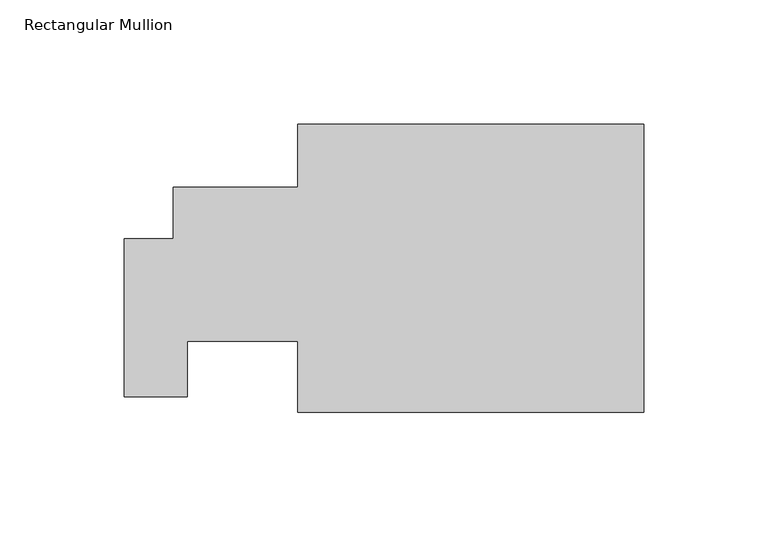
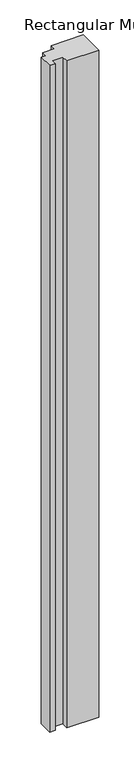
"""IFC4 building model written with IfcOpenShell, lengths in millimetres: member geometry, Rectangular Mullion."""

from ifc_helpers import new_model, si_unit, frame, origin, place, context, project, spatial, polyline, outline, extrude, source, transform, mapped, element, save


def rectangular_mullion_cfeab7c8(model_context):
    return source(origin(), model_context, "Body", "SweptSolid", [
        extrude(outline(polyline([(-209.042, -63.119), (-209.042, 0.381), (-189.3941443, 0.381), (-189.3941443, 21.0419228), (-139.1894568, 21.0419228), (-139.1894568, 46.4418096), (0.0, 46.4418096), (0.0, -69.469), (-139.1894568, -69.469), (-139.1894568, -40.8941132), (-183.6351934, -40.8941132), (-183.6351934, -63.119), (-209.042, -63.119)])), frame((0.0, 0.0, -3048.0), z_axis=(0.0, 0.0, 1.0), x_axis=(1.0, 0.0, 0.0)), (0.0, 0.0, 1.0), 3048.0),
    ])


if __name__ == "__main__":
    model = new_model("IFC4")
    model_context = context("Model", 3, world=origin())
    ifc_project = project(units=[si_unit("LENGTHUNIT", "METRE", prefix="MILLI")], contexts=[model_context])
    site = spatial("IfcSite", under=ifc_project)
    building = spatial("IfcBuilding", under=site)
    placement = place(None, origin())
    rectangular_mullion_shape = rectangular_mullion_cfeab7c8(model_context)
    element("IfcMember", 1, ObjectType="Rectangular Mullion", at=placement, inside=building, context=model_context, shape_type="MappedRepresentation", body=[
        mapped(rectangular_mullion_shape, transform((0.0, 0.0, 0.0), x_axis=(1.0, 0.0, 0.0), y_axis=(0.0, 1.0, 0.0), z_axis=(0.0, 0.0, 1.0))),
    ])
    save(model, "model.ifc")
